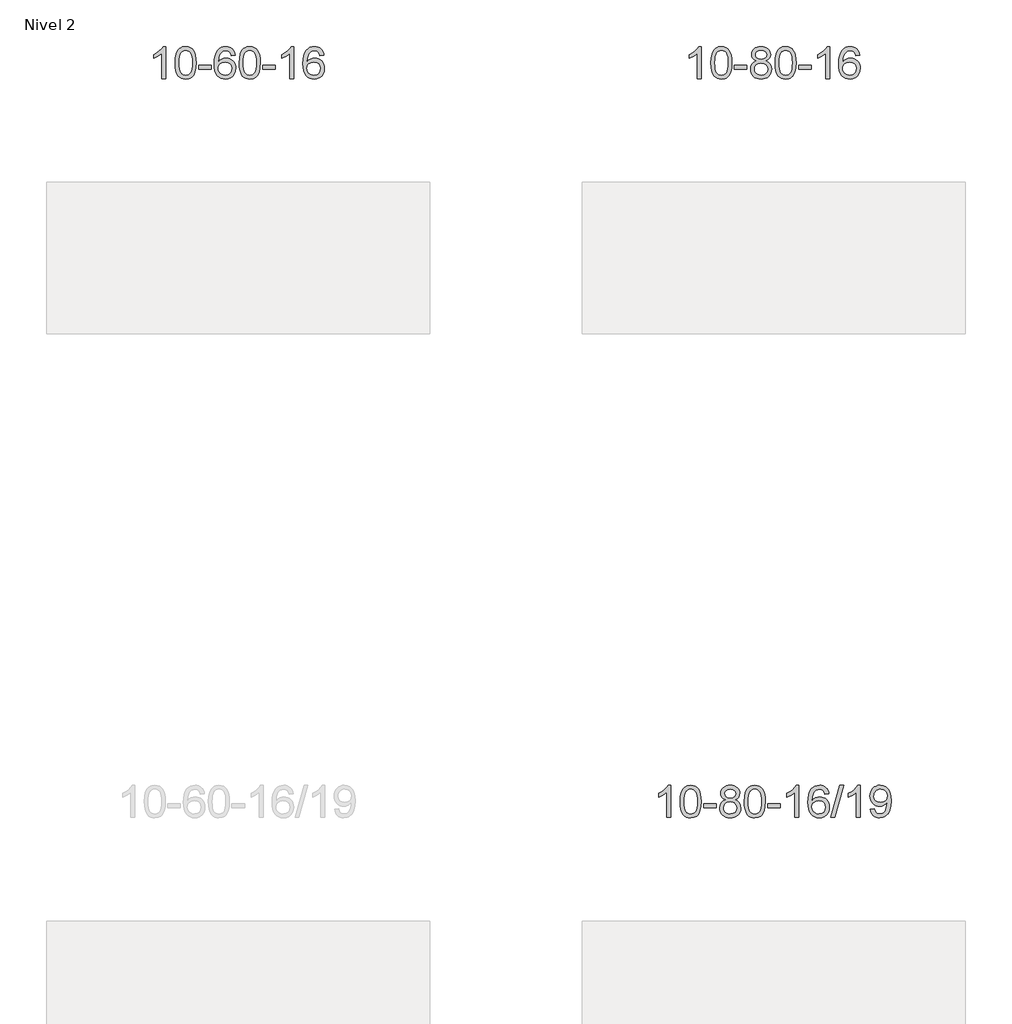
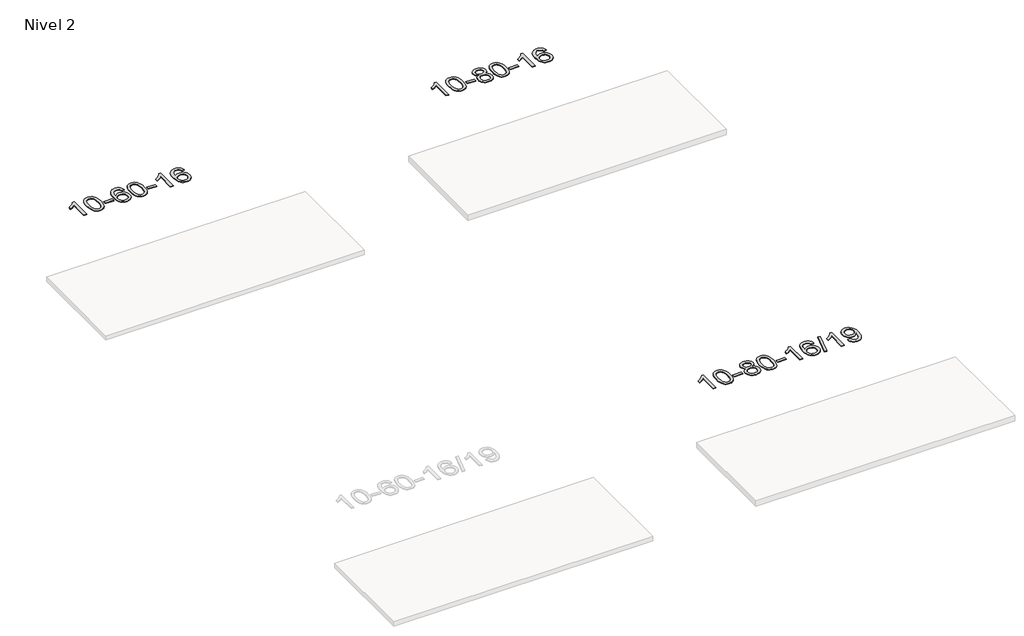
# One storey, part 16 of 51: 3 proxies.
"""IFC4 building model written with IfcOpenShell, lengths in millimetres."""

from ifc_helpers import new_model, si_unit, frame, origin, place, context, project, spatial, polyline, outline, extrude, element, save

model = new_model("IFC4")

# Units and contexts
model_context = context("Model", 3, world=origin())
ifc_project = project(units=[si_unit("LENGTHUNIT", "METRE", prefix="MILLI")], contexts=[model_context])

# Site, building, storey
site = spatial("IfcSite", under=ifc_project)
building = spatial("IfcBuilding", under=site)
storey = spatial("IfcBuildingStorey", under=building, Name="Nivel 2", Elevation=3000.0)

# Proxies
placement = place(None, origin())
element("IfcBuildingElementProxy", 1, Name="Texto de modelo 1", ObjectType="Texto de modelo 1", at=placement, inside=storey, context=model_context, shape_type="SweptSolid", body=[
    extrude(outline(polyline([(4824.6154698, -130180.5895642), (4774.3873148, -130180.5895642), (4774.3873148, -129867.4484099), (4753.418041, -129884.4077699), (4726.80791, -129901.3426044), (4673.9310046, -129926.7019366), (4673.9310046, -129879.2206338), (4713.3802172, -129857.7608507), (4747.5564546, -129832.2298403), (4774.4976794, -129805.080149), (4792.2418543, -129778.7643236), (4824.6154698, -129778.7643236), (4824.6154698, -130180.5895642)])), frame((0.0, 0.0, 3000.0), z_axis=(0.0, 0.0, 1.0), x_axis=(1.0, 0.0, 0.0)), (0.0, 0.0, 1.0), 10.0),
    extrude(outline(polyline([(4943.9073381, -129982.9143055), (4947.5984208, -129918.59627), (4958.6716689, -129867.3012571), (4977.0167177, -129828.244452), (4988.8747807, -129813.0110717), (5002.5232027, -129800.6410396), (5018.007969, -129791.0699764), (5035.3750649, -129784.2335026), (5075.7562452, -129778.7643236), (5106.7073837, -129782.0016852), (5134.4211607, -129791.7137699), (5157.5977264, -129807.5204329), (5174.9372311, -129829.0415296), (5188.0338301, -129856.093119), (5198.4816788, -129888.4912601), (5205.3242839, -129929.6327299), (5207.6051523, -129982.9143055), (5203.9508578, -130046.864459), (5192.9879743, -130098.0368445), (5174.7532901, -130137.1304379), (5162.9228183, -130152.4098034), (5149.2835933, -130164.8442148), (5133.7804329, -130174.4796574), (5116.3581547, -130181.3621164), (5075.7562452, -130186.8680836), (5048.0915192, -130184.4768507), (5023.5660528, -130177.3031517), (5002.1798462, -130165.3469869), (4983.9328992, -130148.6083561), (4966.4217162, -130118.350062), (4953.9137284, -130080.6482889), (4946.4089357, -130035.5030367), (4943.9073381, -129982.9143055)]), holes=[polyline([(4994.1354932, -129982.8162036), (4995.6070212, -130026.4807308), (5000.0216051, -130061.8249935), (5007.379245, -130088.8489917), (5017.6799409, -130107.5527255), (5030.1388778, -130120.2783768), (5043.9712408, -130129.3681278), (5059.17703, -130134.8219784), (5075.7562452, -130136.6399285), (5092.3354605, -130134.815847), (5107.5412496, -130129.3436023), (5121.3736126, -130120.2231945), (5133.8325495, -130107.4546236), (5144.1332454, -130088.720233), (5151.4908853, -130061.7023661), (5155.9054692, -130026.401023), (5157.3769972, -129982.8162036), (5155.9545202, -129940.3074391), (5151.687089, -129905.5855101), (5144.5747038, -129878.6504167), (5134.6173644, -129859.5021588), (5122.366894, -129846.1541738), (5108.3751154, -129836.6198987), (5092.6420288, -129830.8993337), (5075.167634, -129828.9924787), (5058.6742579, -129830.6724732), (5043.7259862, -129835.7124565), (5030.3228188, -129844.1124287), (5018.4647558, -129855.8723898), (5007.8207034, -129876.7190362), (5000.2178089, -129904.8252207), (4995.6560721, -129940.1909431), (4994.1354932, -129982.8162036)])]), frame((0.0, 0.0, 3000.0), z_axis=(0.0, 0.0, 1.0), x_axis=(1.0, 0.0, 0.0)), (0.0, 0.0, 1.0), 10.0),
    extrude(outline(polyline([(5238.9977492, -130061.2976959), (5238.9977492, -130011.0695409), (5395.9607338, -130011.0695409), (5395.9607338, -130061.2976959), (5238.9977492, -130061.2976959)])), frame((0.0, 0.0, 3000.0), z_axis=(0.0, 0.0, 1.0), x_axis=(1.0, 0.0, 0.0)), (0.0, 0.0, 1.0), 10.0),
    extrude(outline(polyline([(5697.3296643, -129885.4991532), (5647.1015092, -129891.7776726), (5639.0081053, -129866.8843242), (5628.0697473, -129849.888176), (5605.2855891, -129834.216403), (5577.7434904, -129828.9924787), (5554.3952464, -129832.0336365), (5532.4204286, -129841.15711), (5513.5480822, -129860.3728129), (5498.1338266, -129886.8235284), (5487.7227661, -129924.2371273), (5483.8600052, -129976.3414805), (5504.0076758, -129952.833821), (5528.1529974, -129936.2668685), (5554.9470694, -129926.4444192), (5583.0409911, -129923.1702695), (5607.17405, -129925.4082183), (5629.4431734, -129932.1220647), (5649.8483614, -129943.3118087), (5668.389614, -129958.9774503), (5683.7977382, -129978.1870219), (5694.8035412, -130000.0085555), (5701.407023, -130024.4420514), (5703.6081836, -130051.4875094), (5699.4633798, -130087.4541058), (5687.0289684, -130120.7964773), (5667.3350189, -130149.07434), (5641.411601, -130169.84741), (5610.435937, -130182.6129152), (5575.5852493, -130186.8680836), (5545.6427206, -130184.047655), (5518.6003283, -130175.5863691), (5494.4580723, -130161.484226), (5473.2159528, -130141.7412255), (5455.8979079, -130115.523502), (5443.5278758, -130081.9971895), (5436.1058565, -130041.1622881), (5433.6318501, -129993.0187976), (5436.3787023, -129939.0443776), (5444.619259, -129892.9794204), (5458.3535202, -129854.8239261), (5477.5814858, -129824.5778948), (5498.4220008, -129804.5344574), (5522.5857165, -129790.2177164), (5550.072633, -129781.6276718), (5580.88275, -129778.7643236), (5604.0163962, -129780.5362886), (5624.9550131, -129785.8521834), (5643.6986007, -129794.7120081), (5660.2471591, -129807.1157627), (5674.1530986, -129822.6465143), (5684.9688292, -129840.8873299), (5692.6943511, -129861.8382095), (5697.3296643, -129885.4991532)]), holes=[polyline([(5483.8600052, -130050.7026945), (5486.7662729, -130072.9595552), (5495.4850762, -130094.2108718), (5509.0231337, -130112.4823442), (5526.3871638, -130125.7996724), (5547.3441748, -130133.9298645), (5571.6611747, -130136.6399285), (5604.8073425, -130131.0235968), (5618.7224789, -130124.003182), (5630.8656505, -130114.1746014), (5640.7156909, -130101.9363937), (5647.751434, -130087.6870977), (5653.3800286, -130053.1552411), (5647.8250104, -130020.0090733), (5640.8812378, -130006.3882425), (5631.1599561, -129994.7355803), (5618.9799963, -129985.4005746), (5604.6601897, -129978.7327135), (5569.6010355, -129973.3984246), (5536.5039187, -129978.7327135), (5508.8269299, -129994.7355803), (5497.9039004, -130006.2349583), (5490.1017364, -130019.3959367), (5485.420438, -130034.2185154), (5483.8600052, -130050.7026945)])]), frame((0.0, 0.0, 3000.0), z_axis=(0.0, 0.0, 1.0), x_axis=(1.0, 0.0, 0.0)), (0.0, 0.0, 1.0), 10.0),
    extrude(outline(polyline([(5747.5578193, -129982.9143055), (5751.248902, -129918.59627), (5762.3221501, -129867.3012571), (5780.6671989, -129828.244452), (5792.5252619, -129813.0110717), (5806.1736839, -129800.6410396), (5821.6584502, -129791.0699764), (5839.0255461, -129784.2335026), (5879.4067264, -129778.7643236), (5910.3578649, -129782.0016852), (5938.0716419, -129791.7137699), (5961.2482076, -129807.5204329), (5978.5877123, -129829.0415296), (5991.6843113, -129856.093119), (6002.13216, -129888.4912601), (6008.9747651, -129929.6327299), (6011.2556335, -129982.9143055), (6007.601339, -130046.864459), (5996.6384555, -130098.0368445), (5978.4037713, -130137.1304379), (5966.5732995, -130152.4098034), (5952.9340745, -130164.8442148), (5937.4309141, -130174.4796574), (5920.0086359, -130181.3621164), (5879.4067264, -130186.8680836), (5851.7420004, -130184.4768507), (5827.216534, -130177.3031517), (5805.8303274, -130165.3469869), (5787.5833804, -130148.6083561), (5770.0721974, -130118.350062), (5757.5642096, -130080.6482889), (5750.0594169, -130035.5030367), (5747.5578193, -129982.9143055)]), holes=[polyline([(5797.7859744, -129982.8162036), (5799.2575024, -130026.4807308), (5803.6720863, -130061.8249935), (5811.0297262, -130088.8489917), (5821.3304221, -130107.5527255), (5833.789359, -130120.2783768), (5847.621722, -130129.3681278), (5862.8275112, -130134.8219784), (5879.4067264, -130136.6399285), (5895.9859417, -130134.815847), (5911.1917308, -130129.3436023), (5925.0240938, -130120.2231945), (5937.4830307, -130107.4546236), (5947.7837266, -130088.720233), (5955.1413665, -130061.7023661), (5959.5559504, -130026.401023), (5961.0274784, -129982.8162036), (5959.6050013, -129940.3074391), (5955.3375702, -129905.5855101), (5948.225185, -129878.6504167), (5938.2678456, -129859.5021588), (5926.0173752, -129846.1541738), (5912.0255966, -129836.6198987), (5896.29251, -129830.8993337), (5878.8181152, -129828.9924787), (5862.3247391, -129830.6724732), (5847.3764674, -129835.7124565), (5833.9733, -129844.1124287), (5822.115237, -129855.8723898), (5811.4711846, -129876.7190362), (5803.8682901, -129904.8252207), (5799.3065533, -129940.1909431), (5797.7859744, -129982.8162036)])]), frame((0.0, 0.0, 3000.0), z_axis=(0.0, 0.0, 1.0), x_axis=(1.0, 0.0, 0.0)), (0.0, 0.0, 1.0), 10.0),
    extrude(outline(polyline([(6042.6482304, -130061.2976959), (6042.6482304, -130011.0695409), (6199.611215, -130011.0695409), (6199.611215, -130061.2976959), (6042.6482304, -130061.2976959)])), frame((0.0, 0.0, 3000.0), z_axis=(0.0, 0.0, 1.0), x_axis=(1.0, 0.0, 0.0)), (0.0, 0.0, 1.0), 10.0),
    extrude(outline(polyline([(6431.9164322, -130180.5895642), (6381.6882771, -130180.5895642), (6381.6882771, -129867.4484099), (6360.7190034, -129884.4077699), (6334.1088724, -129901.3426044), (6281.231967, -129926.7019366), (6281.231967, -129879.2206338), (6320.6811796, -129857.7608507), (6354.857417, -129832.2298403), (6381.7986417, -129805.080149), (6399.5428166, -129778.7643236), (6431.9164322, -129778.7643236), (6431.9164322, -130180.5895642)])), frame((0.0, 0.0, 3000.0), z_axis=(0.0, 0.0, 1.0), x_axis=(1.0, 0.0, 0.0)), (0.0, 0.0, 1.0), 10.0),
    extrude(outline(polyline([(6808.6275953, -129885.4991532), (6758.3994402, -129891.7776726), (6750.3060363, -129866.8843242), (6739.3676783, -129849.888176), (6716.5835201, -129834.216403), (6689.0414214, -129828.9924787), (6665.6931774, -129832.0336365), (6643.7183596, -129841.15711), (6624.8460132, -129860.3728129), (6609.4317576, -129886.8235284), (6599.0206972, -129924.2371273), (6595.1579362, -129976.3414805), (6615.3056068, -129952.833821), (6639.4509284, -129936.2668685), (6666.2450004, -129926.4444192), (6694.3389221, -129923.1702695), (6718.471981, -129925.4082183), (6740.7411044, -129932.1220647), (6761.1462924, -129943.3118087), (6779.687545, -129958.9774503), (6795.0956692, -129978.1870219), (6806.1014723, -130000.0085555), (6812.7049541, -130024.4420514), (6814.9061147, -130051.4875094), (6810.7613109, -130087.4541058), (6798.3268994, -130120.7964773), (6778.6329499, -130149.07434), (6752.709532, -130169.84741), (6721.733868, -130182.6129152), (6686.8831803, -130186.8680836), (6656.9406516, -130184.047655), (6629.8982593, -130175.5863691), (6605.7560034, -130161.484226), (6584.5138838, -130141.7412255), (6567.1958389, -130115.523502), (6554.8258068, -130081.9971895), (6547.4037876, -130041.1622881), (6544.9297811, -129993.0187976), (6547.6766334, -129939.0443776), (6555.9171901, -129892.9794204), (6569.6514512, -129854.8239261), (6588.8794168, -129824.5778948), (6609.7199319, -129804.5344574), (6633.8836476, -129790.2177164), (6661.370564, -129781.6276718), (6692.1806811, -129778.7643236), (6715.3143272, -129780.5362886), (6736.2529441, -129785.8521834), (6754.9965318, -129794.7120081), (6771.5450902, -129807.1157627), (6785.4510296, -129822.6465143), (6796.2667602, -129840.8873299), (6803.9922821, -129861.8382095), (6808.6275953, -129885.4991532)]), holes=[polyline([(6595.1579362, -130050.7026945), (6598.064204, -130072.9595552), (6606.7830073, -130094.2108718), (6620.3210647, -130112.4823442), (6637.6850949, -130125.7996724), (6658.6421059, -130133.9298645), (6682.9591057, -130136.6399285), (6716.1052735, -130131.0235968), (6730.02041, -130124.003182), (6742.1635815, -130114.1746014), (6752.0136219, -130101.9363937), (6759.0493651, -130087.6870977), (6764.6779596, -130053.1552411), (6759.1229415, -130020.0090733), (6752.1791688, -130006.3882425), (6742.4578871, -129994.7355803), (6730.2779274, -129985.4005746), (6715.9581207, -129978.7327135), (6680.8989666, -129973.3984246), (6647.8018497, -129978.7327135), (6620.124861, -129994.7355803), (6609.2018314, -130006.2349583), (6601.3996674, -130019.3959367), (6596.718369, -130034.2185154), (6595.1579362, -130050.7026945)])]), frame((0.0, 0.0, 3000.0), z_axis=(0.0, 0.0, 1.0), x_axis=(1.0, 0.0, 0.0)), (0.0, 0.0, 1.0), 10.0),
])
element("IfcBuildingElementProxy", 2, Name="Texto de modelo 1", ObjectType="Texto de modelo 1", at=placement, inside=storey, context=model_context, shape_type="SweptSolid", body=[
    extrude(outline(polyline([(11539.5560047, -130180.5895642), (11489.3278496, -130180.5895642), (11489.3278496, -129867.4484099), (11468.3585759, -129884.4077699), (11441.7484449, -129901.3426044), (11388.8715394, -129926.7019366), (11388.8715394, -129879.2206338), (11428.320752, -129857.7608507), (11462.4969894, -129832.2298403), (11489.4382142, -129805.080149), (11507.1823891, -129778.7643236), (11539.5560047, -129778.7643236), (11539.5560047, -130180.5895642)])), frame((0.0, 0.0, 3000.0), z_axis=(0.0, 0.0, 1.0), x_axis=(1.0, 0.0, 0.0)), (0.0, 0.0, 1.0), 10.0),
    extrude(outline(polyline([(11658.847873, -129982.9143055), (11662.5389556, -129918.59627), (11673.6122037, -129867.3012571), (11691.9572525, -129828.244452), (11703.8153155, -129813.0110717), (11717.4637375, -129800.6410396), (11732.9485038, -129791.0699764), (11750.3155997, -129784.2335026), (11790.69678, -129778.7643236), (11821.6479186, -129782.0016852), (11849.3616955, -129791.7137699), (11872.5382612, -129807.5204329), (11889.8777659, -129829.0415296), (11902.974365, -129856.093119), (11913.4222136, -129888.4912601), (11920.2648187, -129929.6327299), (11922.5456871, -129982.9143055), (11918.8913926, -130046.864459), (11907.9285092, -130098.0368445), (11889.6938249, -130137.1304379), (11877.8633531, -130152.4098034), (11864.2241281, -130164.8442148), (11848.7209677, -130174.4796574), (11831.2986896, -130181.3621164), (11790.69678, -130186.8680836), (11763.032054, -130184.4768507), (11738.5065876, -130177.3031517), (11717.120381, -130165.3469869), (11698.873434, -130148.6083561), (11681.3622511, -130118.350062), (11668.8542632, -130080.6482889), (11661.3494705, -130035.5030367), (11658.847873, -129982.9143055)]), holes=[polyline([(11709.076028, -129982.8162036), (11710.547556, -130026.4807308), (11714.96214, -130061.8249935), (11722.3197799, -130088.8489917), (11732.6204757, -130107.5527255), (11745.0794126, -130120.2783768), (11758.9117756, -130129.3681278), (11774.1175648, -130134.8219784), (11790.69678, -130136.6399285), (11807.2759953, -130134.815847), (11822.4817844, -130129.3436023), (11836.3141474, -130120.2231945), (11848.7730843, -130107.4546236), (11859.0737802, -130088.720233), (11866.4314201, -130061.7023661), (11870.846004, -130026.401023), (11872.317532, -129982.8162036), (11870.895055, -129940.3074391), (11866.6276238, -129905.5855101), (11859.5152386, -129878.6504167), (11849.5578993, -129859.5021588), (11837.3074288, -129846.1541738), (11823.3156503, -129836.6198987), (11807.5825636, -129830.8993337), (11790.1081688, -129828.9924787), (11773.6147927, -129830.6724732), (11758.666521, -129835.7124565), (11745.2633536, -129844.1124287), (11733.4052906, -129855.8723898), (11722.7612383, -129876.7190362), (11715.1583437, -129904.8252207), (11710.5966069, -129940.1909431), (11709.076028, -129982.8162036)])]), frame((0.0, 0.0, 3000.0), z_axis=(0.0, 0.0, 1.0), x_axis=(1.0, 0.0, 0.0)), (0.0, 0.0, 1.0), 10.0),
    extrude(outline(polyline([(11953.938284, -130061.2976959), (11953.938284, -130011.0695409), (12110.9012686, -130011.0695409), (12110.9012686, -130061.2976959), (11953.938284, -130061.2976959)])), frame((0.0, 0.0, 3000.0), z_axis=(0.0, 0.0, 1.0), x_axis=(1.0, 0.0, 0.0)), (0.0, 0.0, 1.0), 10.0),
    extrude(outline(polyline([(12228.0348959, -129959.2717559), (12201.142722, -129946.0280041), (12182.2703757, -129928.0753627), (12171.1235512, -129905.7817138), (12167.4079431, -129879.5149394), (12169.4312941, -129859.0300436), (12175.501347, -129840.2496678), (12185.6181019, -129823.1738118), (12199.7815587, -129807.8024758), (12217.3111357, -129795.0982842), (12237.5262514, -129786.0238617), (12260.4269056, -129780.5792081), (12286.0130983, -129778.7643236), (12311.7219184, -129780.6221277), (12334.7942509, -129786.1955399), (12355.2300957, -129795.4845603), (12373.0294529, -129808.4891888), (12387.4504271, -129824.1609618), (12397.751123, -129841.4514156), (12403.9315405, -129860.3605502), (12405.9916797, -129880.8883655), (12402.3251225, -129906.3090114), (12391.3254508, -129928.2225155), (12372.8700374, -129946.0647923), (12346.8362549, -129959.2717559), (12377.7506052, -129975.2010463), (12400.2527206, -129998.6596549), (12413.974719, -130028.5194102), (12418.5487185, -130063.6521407), (12416.2801128, -130088.7049046), (12409.4742959, -130111.6730038), (12398.1312677, -130132.5564384), (12382.2510283, -130151.3552084), (12362.6674434, -130166.8920913), (12340.214379, -130177.9898648), (12314.891835, -130184.6485289), (12286.6998114, -130186.8680836), (12258.5077878, -130184.6393319), (12233.1852438, -130177.9530766), (12210.7321794, -130166.8093178), (12191.1485945, -130151.2080556), (12175.2683551, -130132.2774612), (12163.9253269, -130111.1457063), (12157.11951, -130087.8127907), (12154.8509043, -130062.2787146), (12159.6088448, -130025.7848207), (12173.8826662, -129995.7656499), (12196.9366046, -129973.2512718), (12228.0348959, -129959.2717559)]), holes=[polyline([(12217.6360982, -129880.9864674), (12222.0874703, -129902.9122343), (12235.4415867, -129920.4234172), (12257.30604, -129931.9013355), (12287.2884226, -129935.7273082), (12316.5718294, -129931.925861), (12338.1051889, -129920.5215191), (12351.3489407, -129903.5989473), (12355.7635246, -129883.2428103), (12351.2017879, -129862.114121), (12337.5165777, -129844.6397262), (12315.6889126, -129832.9042906), (12286.6998114, -129828.9924787), (12257.5267692, -129832.8184515), (12235.7358923, -129844.2963697), (12222.1610467, -129861.1208396), (12217.6360982, -129880.9864674)]), polyline([(12205.0790594, -130060.512881), (12207.1759868, -130079.7285839), (12213.4667689, -130098.3311501), (12225.0795772, -130114.5547461), (12243.1425832, -130126.6335383), (12264.7740445, -130134.138331), (12287.0922189, -130136.6399285), (12321.2807189, -130131.379216), (12335.1743956, -130124.8033254), (12346.9343567, -130115.5970784), (12362.9740117, -130091.6970115), (12368.3205634, -130062.0825109), (12362.8023335, -130031.9652382), (12346.2476437, -130007.5378737), (12334.1688515, -129998.0955692), (12320.0053947, -129991.3510659), (12285.4244871, -129985.9554633), (12251.7142337, -129991.2774895), (12237.9769068, -129997.9300223), (12226.3181133, -130007.2435681), (12210.3888229, -130031.2049487), (12205.0790594, -130060.512881)])]), frame((0.0, 0.0, 3000.0), z_axis=(0.0, 0.0, 1.0), x_axis=(1.0, 0.0, 0.0)), (0.0, 0.0, 1.0), 10.0),
    extrude(outline(polyline([(12462.4983542, -129982.9143055), (12466.1894368, -129918.59627), (12477.2626849, -129867.3012571), (12495.6077337, -129828.244452), (12507.4657967, -129813.0110717), (12521.1142187, -129800.6410396), (12536.598985, -129791.0699764), (12553.9660809, -129784.2335026), (12594.3472612, -129778.7643236), (12625.2983998, -129782.0016852), (12653.0121767, -129791.7137699), (12676.1887424, -129807.5204329), (12693.5282471, -129829.0415296), (12706.6248462, -129856.093119), (12717.0726948, -129888.4912601), (12723.9152999, -129929.6327299), (12726.1961683, -129982.9143055), (12722.5418738, -130046.864459), (12711.5789904, -130098.0368445), (12693.3443061, -130137.1304379), (12681.5138343, -130152.4098034), (12667.8746093, -130164.8442148), (12652.3714489, -130174.4796574), (12634.9491708, -130181.3621164), (12594.3472612, -130186.8680836), (12566.6825352, -130184.4768507), (12542.1570688, -130177.3031517), (12520.7708622, -130165.3469869), (12502.5239152, -130148.6083561), (12485.0127323, -130118.350062), (12472.5047444, -130080.6482889), (12464.9999517, -130035.5030367), (12462.4983542, -129982.9143055)]), holes=[polyline([(12512.7265092, -129982.8162036), (12514.1980372, -130026.4807308), (12518.6126212, -130061.8249935), (12525.9702611, -130088.8489917), (12536.2709569, -130107.5527255), (12548.7298938, -130120.2783768), (12562.5622568, -130129.3681278), (12577.768046, -130134.8219784), (12594.3472612, -130136.6399285), (12610.9264765, -130134.815847), (12626.1322656, -130129.3436023), (12639.9646286, -130120.2231945), (12652.4235655, -130107.4546236), (12662.7242614, -130088.720233), (12670.0819013, -130061.7023661), (12674.4964852, -130026.401023), (12675.9680132, -129982.8162036), (12674.5455362, -129940.3074391), (12670.278105, -129905.5855101), (12663.1657198, -129878.6504167), (12653.2083805, -129859.5021588), (12640.95791, -129846.1541738), (12626.9661315, -129836.6198987), (12611.2330448, -129830.8993337), (12593.75865, -129828.9924787), (12577.2652739, -129830.6724732), (12562.3170022, -129835.7124565), (12548.9138348, -129844.1124287), (12537.0557718, -129855.8723898), (12526.4117194, -129876.7190362), (12518.8088249, -129904.8252207), (12514.2470881, -129940.1909431), (12512.7265092, -129982.8162036)])]), frame((0.0, 0.0, 3000.0), z_axis=(0.0, 0.0, 1.0), x_axis=(1.0, 0.0, 0.0)), (0.0, 0.0, 1.0), 10.0),
    extrude(outline(polyline([(12757.5887652, -130061.2976959), (12757.5887652, -130011.0695409), (12914.5517498, -130011.0695409), (12914.5517498, -130061.2976959), (12757.5887652, -130061.2976959)])), frame((0.0, 0.0, 3000.0), z_axis=(0.0, 0.0, 1.0), x_axis=(1.0, 0.0, 0.0)), (0.0, 0.0, 1.0), 10.0),
    extrude(outline(polyline([(13146.856967, -130180.5895642), (13096.628812, -130180.5895642), (13096.628812, -129867.4484099), (13075.6595382, -129884.4077699), (13049.0494073, -129901.3426044), (12996.1725018, -129926.7019366), (12996.1725018, -129879.2206338), (13035.6217144, -129857.7608507), (13069.7979518, -129832.2298403), (13096.7391766, -129805.080149), (13114.4833515, -129778.7643236), (13146.856967, -129778.7643236), (13146.856967, -130180.5895642)])), frame((0.0, 0.0, 3000.0), z_axis=(0.0, 0.0, 1.0), x_axis=(1.0, 0.0, 0.0)), (0.0, 0.0, 1.0), 10.0),
    extrude(outline(polyline([(13523.5681301, -129885.4991532), (13473.339975, -129891.7776726), (13465.2465711, -129866.8843242), (13454.3082132, -129849.888176), (13431.5240549, -129834.216403), (13403.9819562, -129828.9924787), (13380.6337123, -129832.0336365), (13358.6588944, -129841.15711), (13339.7865481, -129860.3728129), (13324.3722925, -129886.8235284), (13313.961232, -129924.2371273), (13310.098471, -129976.3414805), (13330.2461416, -129952.833821), (13354.3914633, -129936.2668685), (13381.1855352, -129926.4444192), (13409.2794569, -129923.1702695), (13433.4125158, -129925.4082183), (13455.6816393, -129932.1220647), (13476.0868273, -129943.3118087), (13494.6280798, -129958.9774503), (13510.0362041, -129978.1870219), (13521.0420071, -130000.0085555), (13527.6454889, -130024.4420514), (13529.8466495, -130051.4875094), (13525.7018457, -130087.4541058), (13513.2674342, -130120.7964773), (13493.5734848, -130149.07434), (13467.6500668, -130169.84741), (13436.6744028, -130182.6129152), (13401.8237152, -130186.8680836), (13371.8811864, -130184.047655), (13344.8387941, -130175.5863691), (13320.6965382, -130161.484226), (13299.4544186, -130141.7412255), (13282.1363737, -130115.523502), (13269.7663416, -130081.9971895), (13262.3443224, -130041.1622881), (13259.870316, -129993.0187976), (13262.6171682, -129939.0443776), (13270.8577249, -129892.9794204), (13284.591986, -129854.8239261), (13303.8199517, -129824.5778948), (13324.6604667, -129804.5344574), (13348.8241824, -129790.2177164), (13376.3110988, -129781.6276718), (13407.1212159, -129778.7643236), (13430.254862, -129780.5362886), (13451.1934789, -129785.8521834), (13469.9370666, -129794.7120081), (13486.485625, -129807.1157627), (13500.3915644, -129822.6465143), (13511.2072951, -129840.8873299), (13518.932817, -129861.8382095), (13523.5681301, -129885.4991532)]), holes=[polyline([(13310.098471, -130050.7026945), (13313.0047388, -130072.9595552), (13321.7235421, -130094.2108718), (13335.2615995, -130112.4823442), (13352.6256297, -130125.7996724), (13373.5826407, -130133.9298645), (13397.8996406, -130136.6399285), (13431.0458083, -130131.0235968), (13444.9609448, -130124.003182), (13457.1041163, -130114.1746014), (13466.9541567, -130101.9363937), (13473.9898999, -130087.6870977), (13479.6184944, -130053.1552411), (13474.0634763, -130020.0090733), (13467.1197036, -130006.3882425), (13457.3984219, -129994.7355803), (13445.2184622, -129985.4005746), (13430.8986555, -129978.7327135), (13395.8395014, -129973.3984246), (13362.7423846, -129978.7327135), (13335.0653958, -129994.7355803), (13324.1423662, -130006.2349583), (13316.3402022, -130019.3959367), (13311.6589038, -130034.2185154), (13310.098471, -130050.7026945)])]), frame((0.0, 0.0, 3000.0), z_axis=(0.0, 0.0, 1.0), x_axis=(1.0, 0.0, 0.0)), (0.0, 0.0, 1.0), 10.0),
])
element("IfcBuildingElementProxy", 3, Name="Texto de modelo 1", ObjectType="Texto de modelo 1", at=placement, inside=storey, context=model_context, shape_type="SweptSolid", body=[
    extrude(outline(polyline([(11153.4270625, -139438.9702671), (11103.1989074, -139438.9702671), (11103.1989074, -139125.8291128), (11082.2296337, -139142.7884728), (11055.6195027, -139159.7233073), (11002.7425973, -139185.0826395), (11002.7425973, -139137.6013367), (11042.1918099, -139116.1415536), (11076.3680473, -139090.6105432), (11103.309272, -139063.4608519), (11121.0534469, -139037.1450265), (11153.4270625, -139037.1450265), (11153.4270625, -139438.9702671)])), frame((0.0, 0.0, 3000.0), z_axis=(0.0, 0.0, 1.0), x_axis=(1.0, 0.0, 0.0)), (0.0, 0.0, 1.0), 10.0),
    extrude(outline(polyline([(11272.7189308, -139241.2950084), (11276.4100135, -139176.9769729), (11287.4832616, -139125.68196), (11305.8283104, -139086.6251549), (11317.6863734, -139071.3917746), (11331.3347954, -139059.0217425), (11346.8195617, -139049.4506793), (11364.1866576, -139042.6142055), (11404.5678379, -139037.1450265), (11435.5189764, -139040.3823881), (11463.2327534, -139050.0944728), (11486.4093191, -139065.9011358), (11503.7488238, -139087.4222325), (11516.8454228, -139114.4738219), (11527.2932715, -139146.871963), (11534.1358766, -139188.0134328), (11536.416745, -139241.2950084), (11532.7624505, -139305.2451619), (11521.799567, -139356.4175474), (11503.5648828, -139395.5111408), (11491.734411, -139410.7905063), (11478.095186, -139423.2249177), (11462.5920256, -139432.8603603), (11445.1697474, -139439.7428193), (11404.5678379, -139445.2487865), (11376.9031119, -139442.8575536), (11352.3776455, -139435.6838546), (11330.9914389, -139423.7276898), (11312.7444919, -139406.989059), (11295.2333089, -139376.7307649), (11282.7253211, -139339.0289918), (11275.2205284, -139293.8837396), (11272.7189308, -139241.2950084)]), holes=[polyline([(11322.9470859, -139241.1969065), (11324.4186139, -139284.8614337), (11328.8331978, -139320.2056964), (11336.1908377, -139347.2296946), (11346.4915336, -139365.9334284), (11358.9504705, -139378.6590797), (11372.7828335, -139387.7488307), (11387.9886226, -139393.2026813), (11404.5678379, -139395.0206314), (11421.1470531, -139393.1965499), (11436.3528423, -139387.7243052), (11450.1852053, -139378.6038974), (11462.6441422, -139365.8353265), (11472.9448381, -139347.1009359), (11480.302478, -139320.083069), (11484.7170619, -139284.7817259), (11486.1885899, -139241.1969065), (11484.7661128, -139198.688142), (11480.4986817, -139163.966213), (11473.3862965, -139137.0311196), (11463.4289571, -139117.8828617), (11451.1784867, -139104.5348767), (11437.1867081, -139095.0006016), (11421.4536215, -139089.2800366), (11403.9792267, -139087.3731816), (11387.4858506, -139089.0531761), (11372.5375788, -139094.0931594), (11359.1344115, -139102.4931316), (11347.2763485, -139114.2530927), (11336.6322961, -139135.0997391), (11329.0294015, -139163.2059236), (11324.4676648, -139198.571646), (11322.9470859, -139241.1969065)])]), frame((0.0, 0.0, 3000.0), z_axis=(0.0, 0.0, 1.0), x_axis=(1.0, 0.0, 0.0)), (0.0, 0.0, 1.0), 10.0),
    extrude(outline(polyline([(11567.8093419, -139319.6783988), (11567.8093419, -139269.4502438), (11724.7723265, -139269.4502438), (11724.7723265, -139319.6783988), (11567.8093419, -139319.6783988)])), frame((0.0, 0.0, 3000.0), z_axis=(0.0, 0.0, 1.0), x_axis=(1.0, 0.0, 0.0)), (0.0, 0.0, 1.0), 10.0),
    extrude(outline(polyline([(11841.9059538, -139217.6524588), (11815.0137799, -139204.408707), (11796.1414336, -139186.4560656), (11784.9946091, -139164.1624167), (11781.279001, -139137.8956423), (11783.3023519, -139117.4107465), (11789.3724048, -139098.6303707), (11799.4891597, -139081.5545147), (11813.6526165, -139066.1831787), (11831.1821936, -139053.4789871), (11851.3973092, -139044.4045646), (11874.2979634, -139038.959911), (11899.8841562, -139037.1450265), (11925.5929763, -139039.0028306), (11948.6653088, -139044.5762428), (11969.1011536, -139053.8652632), (11986.9005108, -139066.8698917), (12001.321485, -139082.5416647), (12011.6221809, -139099.8321185), (12017.8025984, -139118.7412531), (12019.8627376, -139139.2690684), (12016.1961803, -139164.6897143), (12005.1965087, -139186.6032184), (11986.7410953, -139204.4454952), (11960.7073127, -139217.6524588), (11991.6216631, -139233.5817492), (12014.1237784, -139257.0403578), (12027.8457769, -139286.9001131), (12032.4197763, -139322.0328436), (12030.1511707, -139347.0856075), (12023.3453538, -139370.0537067), (12012.0023256, -139390.9371413), (11996.1220861, -139409.7359113), (11976.5385013, -139425.2727942), (11954.0854368, -139436.3705677), (11928.7628928, -139443.0292318), (11900.5708693, -139445.2487865), (11872.3788457, -139443.0200348), (11847.0563017, -139436.3337795), (11824.6032373, -139425.1900207), (11805.0196524, -139409.5887585), (11789.1394129, -139390.6581641), (11777.7963847, -139369.5264092), (11770.9905678, -139346.1934936), (11768.7219622, -139320.6594175), (11773.4799027, -139284.1655236), (11787.7537241, -139254.1463528), (11810.8076624, -139231.6319747), (11841.9059538, -139217.6524588)]), holes=[polyline([(11831.507156, -139139.3671703), (11835.9585282, -139161.2929372), (11849.3126446, -139178.8041201), (11871.1770978, -139190.2820384), (11901.1594804, -139194.1080111), (11930.4428873, -139190.3065639), (11951.9762467, -139178.902222), (11965.2199985, -139161.9796502), (11969.6345825, -139141.6235132), (11965.0728457, -139120.4948239), (11951.3876355, -139103.0204291), (11929.5599705, -139091.2849935), (11900.5708693, -139087.3731816), (11871.397827, -139091.1991544), (11849.6069502, -139102.6770726), (11836.0321046, -139119.5015425), (11831.507156, -139139.3671703)]), polyline([(11818.9501173, -139318.8935839), (11821.0470446, -139338.1092868), (11827.3378267, -139356.711853), (11838.9506351, -139372.935449), (11857.013641, -139385.0142412), (11878.6451023, -139392.5190339), (11900.9632767, -139395.0206314), (11935.1517768, -139389.7599189), (11949.0454535, -139383.1840283), (11960.8054146, -139373.9777813), (11976.8450696, -139350.0777144), (11982.1916213, -139320.4632138), (11976.6733913, -139290.3459411), (11960.1187015, -139265.9185766), (11948.0399094, -139256.4762721), (11933.8764526, -139249.7317688), (11899.295545, -139244.3361662), (11865.5852915, -139249.6581924), (11851.8479647, -139256.3107252), (11840.1891711, -139265.624271), (11824.2598807, -139289.5856516), (11818.9501173, -139318.8935839)])]), frame((0.0, 0.0, 3000.0), z_axis=(0.0, 0.0, 1.0), x_axis=(1.0, 0.0, 0.0)), (0.0, 0.0, 1.0), 10.0),
    extrude(outline(polyline([(12076.369412, -139241.2950084), (12080.0604947, -139176.9769729), (12091.1337428, -139125.68196), (12109.4787916, -139086.6251549), (12121.3368546, -139071.3917746), (12134.9852766, -139059.0217425), (12150.4700429, -139049.4506793), (12167.8371388, -139042.6142055), (12208.2183191, -139037.1450265), (12239.1694576, -139040.3823881), (12266.8832346, -139050.0944728), (12290.0598003, -139065.9011358), (12307.399305, -139087.4222325), (12320.495904, -139114.4738219), (12330.9437527, -139146.871963), (12337.7863578, -139188.0134328), (12340.0672262, -139241.2950084), (12336.4129317, -139305.2451619), (12325.4500482, -139356.4175474), (12307.215364, -139395.5111408), (12295.3848922, -139410.7905063), (12281.7456672, -139423.2249177), (12266.2425068, -139432.8603603), (12248.8202286, -139439.7428193), (12208.2183191, -139445.2487865), (12180.5535931, -139442.8575536), (12156.0281267, -139435.6838546), (12134.6419201, -139423.7276898), (12116.3949731, -139406.989059), (12098.8837901, -139376.7307649), (12086.3758023, -139339.0289918), (12078.8710096, -139293.8837396), (12076.369412, -139241.2950084)]), holes=[polyline([(12126.5975671, -139241.1969065), (12128.0690951, -139284.8614337), (12132.483679, -139320.2056964), (12139.8413189, -139347.2296946), (12150.1420148, -139365.9334284), (12162.6009517, -139378.6590797), (12176.4333147, -139387.7488307), (12191.6391038, -139393.2026813), (12208.2183191, -139395.0206314), (12224.7975343, -139393.1965499), (12240.0033235, -139387.7243052), (12253.8356865, -139378.6038974), (12266.2946234, -139365.8353265), (12276.5953193, -139347.1009359), (12283.9529592, -139320.083069), (12288.3675431, -139284.7817259), (12289.8390711, -139241.1969065), (12288.416594, -139198.688142), (12284.1491629, -139163.966213), (12277.0367777, -139137.0311196), (12267.0794383, -139117.8828617), (12254.8289679, -139104.5348767), (12240.8371893, -139095.0006016), (12225.1041027, -139089.2800366), (12207.6297079, -139087.3731816), (12191.1363318, -139089.0531761), (12176.18806, -139094.0931594), (12162.7848927, -139102.4931316), (12150.9268297, -139114.2530927), (12140.2827773, -139135.0997391), (12132.6798827, -139163.2059236), (12128.118146, -139198.571646), (12126.5975671, -139241.1969065)])]), frame((0.0, 0.0, 3000.0), z_axis=(0.0, 0.0, 1.0), x_axis=(1.0, 0.0, 0.0)), (0.0, 0.0, 1.0), 10.0),
    extrude(outline(polyline([(12371.4598231, -139319.6783988), (12371.4598231, -139269.4502438), (12528.4228077, -139269.4502438), (12528.4228077, -139319.6783988), (12371.4598231, -139319.6783988)])), frame((0.0, 0.0, 3000.0), z_axis=(0.0, 0.0, 1.0), x_axis=(1.0, 0.0, 0.0)), (0.0, 0.0, 1.0), 10.0),
    extrude(outline(polyline([(12760.7280249, -139438.9702671), (12710.4998698, -139438.9702671), (12710.4998698, -139125.8291128), (12689.5305961, -139142.7884728), (12662.9204651, -139159.7233073), (12610.0435597, -139185.0826395), (12610.0435597, -139137.6013367), (12649.4927723, -139116.1415536), (12683.6690097, -139090.6105432), (12710.6102344, -139063.4608519), (12728.3544093, -139037.1450265), (12760.7280249, -139037.1450265), (12760.7280249, -139438.9702671)])), frame((0.0, 0.0, 3000.0), z_axis=(0.0, 0.0, 1.0), x_axis=(1.0, 0.0, 0.0)), (0.0, 0.0, 1.0), 10.0),
    extrude(outline(polyline([(13137.439188, -139143.8798561), (13087.2110329, -139150.1583755), (13079.117629, -139125.2650271), (13068.179271, -139108.2688789), (13045.3951128, -139092.5971059), (13017.8530141, -139087.3731816), (12994.5047701, -139090.4143394), (12972.5299523, -139099.5378129), (12953.6576059, -139118.7535158), (12938.2433503, -139145.2042313), (12927.8322899, -139182.6178302), (12923.9695289, -139234.7221834), (12944.1171995, -139211.2145239), (12968.2625211, -139194.6475714), (12995.0565931, -139184.8251221), (13023.1505148, -139181.5509724), (13047.2835737, -139183.7889212), (13069.5526971, -139190.5027676), (13089.9578851, -139201.6925116), (13108.4991377, -139217.3581532), (13123.9072619, -139236.5677248), (13134.9130649, -139258.3892584), (13141.5165468, -139282.8227543), (13143.7177074, -139309.8682123), (13139.5729035, -139345.8348087), (13127.1384921, -139379.1771802), (13107.4445426, -139407.4550429), (13081.5211247, -139428.2281129), (13050.5454607, -139440.9936181), (13015.694773, -139445.2487865), (12985.7522443, -139442.4283579), (12958.709852, -139433.967072), (12934.567596, -139419.8649289), (12913.3254765, -139400.1219284), (12896.0074316, -139373.9042049), (12883.6373995, -139340.3778924), (12876.2153802, -139299.542991), (12873.7413738, -139251.3995005), (12876.4882261, -139197.4250805), (12884.7287828, -139151.3601233), (12898.4630439, -139113.204629), (12917.6910095, -139082.9585977), (12938.5315245, -139062.9151603), (12962.6952403, -139048.5984193), (12990.1821567, -139040.0083747), (13020.9922738, -139037.1450265), (13044.1259199, -139038.9169915), (13065.0645368, -139044.2328863), (13083.8081244, -139053.092711), (13100.3566829, -139065.4964656), (13114.2626223, -139081.0272172), (13125.0783529, -139099.2680328), (13132.8038748, -139120.2189124), (13137.439188, -139143.8798561)]), holes=[polyline([(12923.9695289, -139309.0833974), (12926.8757967, -139331.3402581), (12935.5946, -139352.5915747), (12949.1326574, -139370.8630471), (12966.4966875, -139384.1803753), (12987.4536985, -139392.3105674), (13011.7706984, -139395.0206314), (13044.9168662, -139389.4042997), (13058.8320027, -139382.3838849), (13070.9751742, -139372.5553043), (13080.8252146, -139360.3170966), (13087.8609578, -139346.0678006), (13093.4895523, -139311.535944), (13087.9345342, -139278.3897762), (13080.9907615, -139264.7689454), (13071.2694798, -139253.1162832), (13059.08952, -139243.7812775), (13044.7697134, -139237.1134164), (13009.7105592, -139231.7791275), (12976.6134424, -139237.1134164), (12948.9364536, -139253.1162832), (12938.0134241, -139264.6156612), (12930.2112601, -139277.7766396), (12925.5299617, -139292.5992183), (12923.9695289, -139309.0833974)])]), frame((0.0, 0.0, 3000.0), z_axis=(0.0, 0.0, 1.0), x_axis=(1.0, 0.0, 0.0)), (0.0, 0.0, 1.0), 10.0),
    extrude(outline(polyline([(13162.5532655, -139438.9702671), (13275.5666144, -139037.1450265), (13320.8896762, -139037.1450265), (13207.8763273, -139438.9702671), (13162.5532655, -139438.9702671)])), frame((0.0, 0.0, 3000.0), z_axis=(0.0, 0.0, 1.0), x_axis=(1.0, 0.0, 0.0)), (0.0, 0.0, 1.0), 10.0),
    extrude(outline(polyline([(13532.9859092, -139438.9702671), (13482.7577541, -139438.9702671), (13482.7577541, -139125.8291128), (13461.7884804, -139142.7884728), (13435.1783494, -139159.7233073), (13382.301444, -139185.0826395), (13382.301444, -139137.6013367), (13421.7506566, -139116.1415536), (13455.9268939, -139090.6105432), (13482.8681187, -139063.4608519), (13500.6122936, -139037.1450265), (13532.9859092, -139037.1450265), (13532.9859092, -139438.9702671)])), frame((0.0, 0.0, 3000.0), z_axis=(0.0, 0.0, 1.0), x_axis=(1.0, 0.0, 0.0)), (0.0, 0.0, 1.0), 10.0),
    extrude(outline(polyline([(13658.5562969, -139338.513957), (13708.7844519, -139332.2354376), (13717.3683652, -139360.7462922), (13731.347881, -139380.1581988), (13750.3796429, -139391.3050233), (13774.1202943, -139395.0206314), (13795.4206618, -139392.6293985), (13814.7835175, -139385.4556996), (13830.8722234, -139374.2843497), (13842.3501417, -139359.9001636), (13858.7822041, -139316.2448335), (13864.2268576, -139287.8443435), (13866.0417422, -139257.9723255), (13865.7474366, -139248.162139), (13848.3466182, -139269.4011928), (13825.5747227, -139286.2256627), (13799.0749563, -139297.1885462), (13770.4905253, -139300.8428407), (13746.6303122, -139298.6110232), (13724.6892169, -139291.9155709), (13704.6672393, -139280.7564837), (13686.5643794, -139265.1337617), (13671.5639911, -139245.8628765), (13660.849428, -139223.7593), (13654.4206901, -139198.8230321), (13652.2777775, -139171.0540728), (13654.5249233, -139142.3592772), (13661.2663609, -139116.6075375), (13672.5020902, -139093.7988538), (13688.2321112, -139073.9332261), (13707.3466465, -139057.8383888), (13728.7359188, -139046.3420764), (13752.3999282, -139039.444289), (13778.3386745, -139037.1450265), (13815.8013243, -139042.3934763), (13849.9039853, -139058.1388257), (13878.4271027, -139083.5962598), (13899.1511217, -139117.9809636), (13911.7694742, -139165.5113174), (13915.9755916, -139230.4057013), (13911.7817369, -139299.2118972), (13899.2001727, -139352.3953709), (13878.3412635, -139392.3596183), (13864.8491914, -139408.2858431), (13849.3153741, -139421.5081351), (13832.0525115, -139431.8946701), (13813.3733032, -139439.3136237), (13771.7658495, -139445.2487865), (13749.2085519, -139443.4982814), (13728.821758, -139438.2467659), (13710.6054678, -139429.4942401), (13694.5596815, -139417.240704), (13681.0890691, -139401.8172513), (13670.5983008, -139383.5549759), (13663.0873768, -139362.4538778), (13658.5562969, -139338.513957)]), holes=[polyline([(13865.7474366, -139169.8768504), (13860.3273085, -139135.8355031), (13853.5521484, -139121.7578854), (13844.0669243, -139109.6423051), (13832.33762, -139099.8995636), (13818.8302194, -139092.9404625), (13786.4811293, -139087.3731816), (13768.8718445, -139088.8723007), (13752.9302914, -139093.3696581), (13738.65647, -139100.8652538), (13726.0503803, -139111.3590877), (13715.7496844, -139124.2380232), (13708.3920445, -139138.8889237), (13703.9774605, -139155.3117891), (13702.5059326, -139173.5066194), (13708.0732134, -139204.5435971), (13715.0323145, -139217.6616559), (13724.775056, -139229.179428), (13736.8967677, -139238.5573532), (13750.9927795, -139245.2558712), (13785.1077032, -139250.6146856), (13817.1992759, -139245.2558712), (13843.0368547, -139229.179428), (13852.9727343, -139217.4347953), (13860.0697911, -139203.6361548), (13865.7474366, -139169.8768504)])]), frame((0.0, 0.0, 3000.0), z_axis=(0.0, 0.0, 1.0), x_axis=(1.0, 0.0, 0.0)), (0.0, 0.0, 1.0), 10.0),
])

save(model, "model.ifc")
